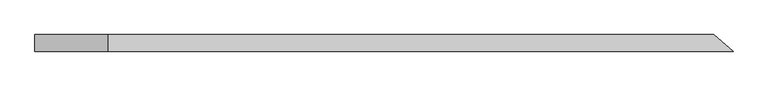
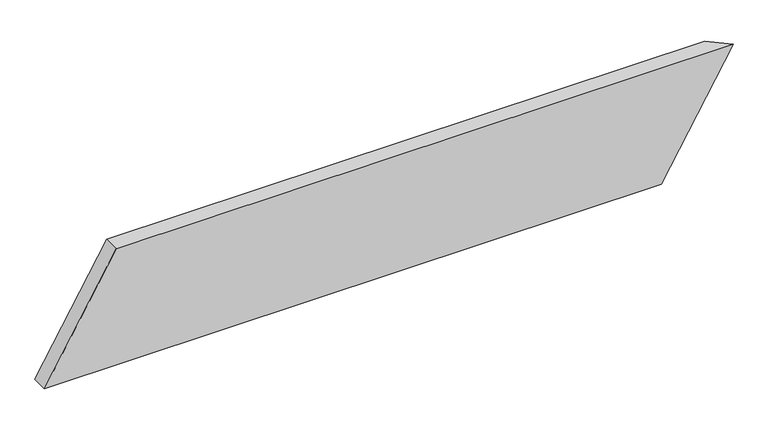
"""IFC4 building model written with IfcOpenShell, lengths in millimetres: beam geometry."""

from ifc_helpers import new_model, si_unit, origin, place, context, project, spatial, faceted_brep, source, transform, mapped, element, save


def beam_219a5e7d(model_context):
    return source(origin(), model_context, "Body", "Brep", [
        faceted_brep([(811.1341595, -19.05, 142.875), (-622.3924047, -19.05, 142.875), (-789.0799047, -19.05, -142.875), (644.4466595, -19.05, -142.875), (767.0256498, 19.05, 142.875), (600.3381498, 19.05, -142.875), (-789.0799047, 19.05, -142.875), (-622.3924047, 19.05, 142.875)], [[[0, 1, 2, 3]], [[4, 5, 6, 7]], [[5, 4, 0, 3]], [[6, 5, 3, 2]], [[7, 6, 2, 1]], [[4, 7, 1, 0]]]),
    ])


if __name__ == "__main__":
    model = new_model("IFC4")
    model_context = context("Model", 3, world=origin())
    ifc_project = project(units=[si_unit("LENGTHUNIT", "METRE", prefix="MILLI")], contexts=[model_context])
    site = spatial("IfcSite", under=ifc_project)
    building = spatial("IfcBuilding", under=site)
    placement = place(None, origin())
    beam_shape = beam_219a5e7d(model_context)
    element("IfcBeam", 1, at=placement, inside=building, context=model_context, shape_type="MappedRepresentation", body=[
        mapped(beam_shape, transform((0.0, 0.0, 0.0), x_axis=(1.0, 0.0, 0.0), y_axis=(0.0, 1.0, 0.0), z_axis=(0.0, 0.0, 1.0))),
    ])
    save(model, "model.ifc")
